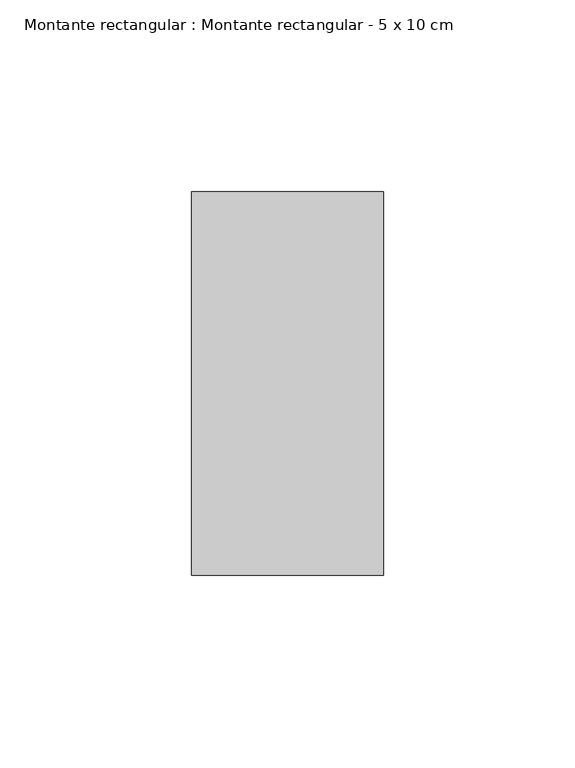
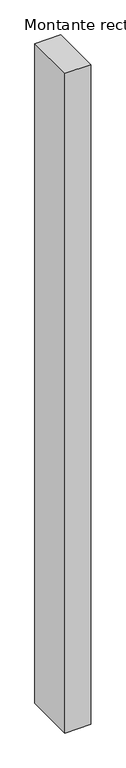
"""IFC4 building model written with IfcOpenShell, lengths in millimetres: member geometry, Montante rectangular : Montante rectangular - 5 x 10 cm."""

from ifc_helpers import new_model, si_unit, frame, origin, place, context, project, spatial, polyline, outline, extrude, source, transform, mapped, element, save


def montante_rectangular_montante_rectangular_5_x_10_cm_80a2b260(model_context):
    return source(origin(), model_context, "Body", "SweptSolid", [
        extrude(outline(polyline([(25.0, 50.0), (25.0, -50.0), (-25.0, -50.0), (-25.0, 50.0), (25.0, 50.0)])), frame((0.0, 0.0, -1342.3573015), z_axis=(0.0, 0.0, 1.0), x_axis=(1.0, 0.0, 0.0)), (0.0, 0.0, 1.0), 1342.3573015),
    ])


if __name__ == "__main__":
    model = new_model("IFC4")
    model_context = context("Model", 3, world=origin())
    ifc_project = project(units=[si_unit("LENGTHUNIT", "METRE", prefix="MILLI")], contexts=[model_context])
    site = spatial("IfcSite", under=ifc_project)
    building = spatial("IfcBuilding", under=site)
    placement = place(None, origin())
    montante_rectangular_montante_rectangular_5_x_10_cm_shape = montante_rectangular_montante_rectangular_5_x_10_cm_80a2b260(model_context)
    element("IfcMember", 1, ObjectType="Montante rectangular : Montante rectangular - 5 x 10 cm", at=placement, inside=building, context=model_context, shape_type="MappedRepresentation", body=[
        mapped(montante_rectangular_montante_rectangular_5_x_10_cm_shape, transform((0.0, 0.0, 0.0), x_axis=(1.0, 0.0, 0.0), y_axis=(0.0, 1.0, 0.0), z_axis=(0.0, 0.0, 1.0))),
    ])
    save(model, "model.ifc")
